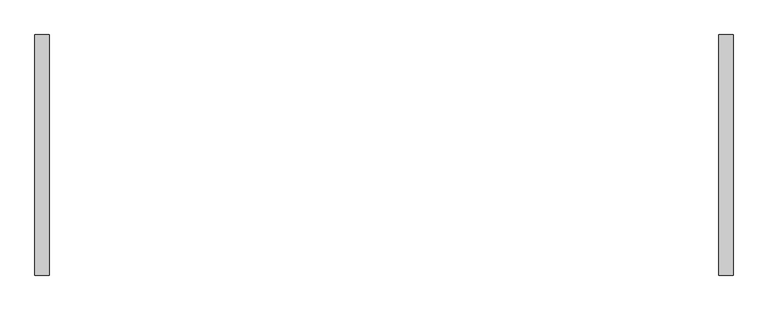
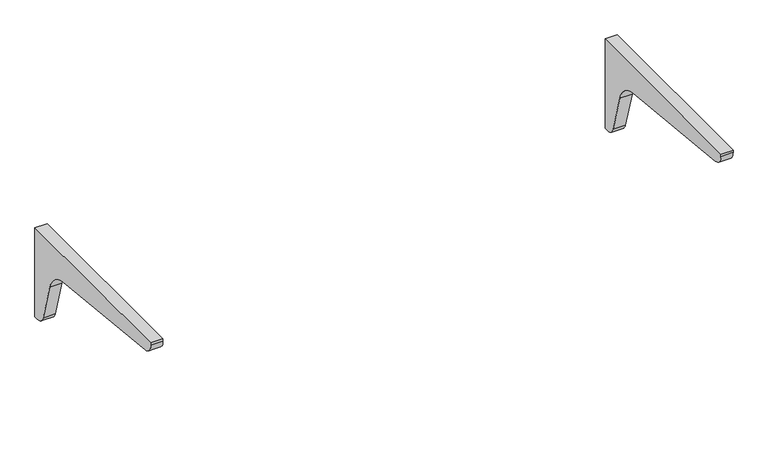
"""IFC4 building model written with IfcOpenShell, lengths in millimetres: furniture geometry."""

from ifc_helpers import new_model, si_unit, point, frame, frame_2d, origin, place, context, project, spatial, polyline, circle_curve, trimmed, segment, composite_curve, outline, extrude, source, transform, mapped, element, save


def furniture_06bac15a(model_context):
    return source(origin(), model_context, "Body", "SweptSolid", [
        extrude(outline(composite_curve([segment(polyline([(177.8, 486.95102), (177.8, 290.10102), (168.7371495, 290.10102)]), True, "CONTINUOUS"), segment(trimmed(circle_curve(frame_2d((168.7371495, 311.7477969)), 21.6467769), [point((168.7371495, 290.10102))], [point((147.9289321, 305.7811365))], False, "CARTESIAN"), True, "CONTINUOUS"), segment(polyline([(147.9289321, 305.7811365), (124.3411705, 388.041436)]), True, "CONTINUOUS"), segment(trimmed(circle_curve(frame_2d((69.4050646, 372.288761)), 57.15), [point((124.3411705, 388.041436))], [point((75.1946456, 429.144748))], True, "CARTESIAN"), True, "CONTINUOUS"), segment(polyline([(75.1946456, 429.144748), (-221.2759719, 459.3340163)]), True, "CONTINUOUS"), segment(trimmed(circle_curve(frame_2d((-219.018772, 481.5006167)), 22.281228), [point((-221.2759719, 459.3340163))], [point((-241.3, 481.5006167))], False, "CARTESIAN"), True, "CONTINUOUS"), segment(polyline([(-241.3, 481.5006167), (-241.3, 486.95102), (177.8, 486.95102)]), True, "CONTINUOUS")], self_intersect=False)), frame((582.6125, 0.0, 0.0), z_axis=(1.0, 0.0, 0.0), x_axis=(0.0, 1.0, 0.0)), (0.0, 0.0, 1.0), 25.4),
        extrude(outline(composite_curve([segment(polyline([(177.8, 486.95102), (177.8, 290.10102), (168.7371495, 290.10102)]), True, "CONTINUOUS"), segment(trimmed(circle_curve(frame_2d((168.7371495, 311.7477969)), 21.6467769), [point((168.7371495, 290.10102))], [point((147.928932, 305.7811366))], False, "CARTESIAN"), True, "CONTINUOUS"), segment(polyline([(147.928932, 305.7811366), (124.3411706, 388.0414359)]), True, "CONTINUOUS"), segment(trimmed(circle_curve(frame_2d((69.4050646, 372.288761)), 57.15), [point((124.3411706, 388.0414359))], [point((75.1946456, 429.144748))], True, "CARTESIAN"), True, "CONTINUOUS"), segment(polyline([(75.1946456, 429.144748), (-221.2759719, 459.3340163)]), True, "CONTINUOUS"), segment(trimmed(circle_curve(frame_2d((-219.018772, 481.5006167)), 22.281228), [point((-221.2759719, 459.3340163))], [point((-241.3, 481.5006167))], False, "CARTESIAN"), True, "CONTINUOUS"), segment(polyline([(-241.3, 481.5006167), (-241.3, 486.95102), (177.8, 486.95102)]), True, "CONTINUOUS")], self_intersect=False)), frame((-608.0125, 0.0, 0.0), z_axis=(1.0, 0.0, 0.0), x_axis=(0.0, 1.0, 0.0)), (0.0, 0.0, 1.0), 25.4),
    ])


if __name__ == "__main__":
    model = new_model("IFC4")
    model_context = context("Model", 3, world=origin())
    ifc_project = project(units=[si_unit("LENGTHUNIT", "METRE", prefix="MILLI")], contexts=[model_context])
    site = spatial("IfcSite", under=ifc_project)
    building = spatial("IfcBuilding", under=site)
    placement = place(None, origin())
    furniture_shape = furniture_06bac15a(model_context)
    element("IfcFurniture", 1, at=placement, inside=building, context=model_context, shape_type="MappedRepresentation", body=[
        mapped(furniture_shape, transform((0.0, 0.0, 0.0), x_axis=(1.0, 0.0, 0.0), y_axis=(0.0, 1.0, 0.0), z_axis=(0.0, 0.0, 1.0))),
    ])
    save(model, "model.ifc")
